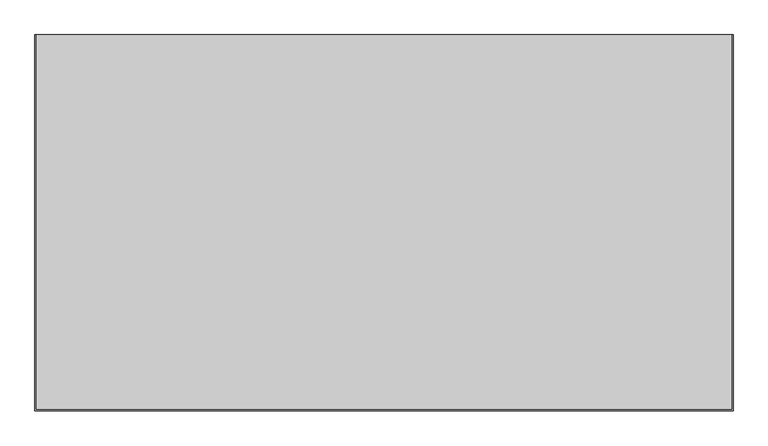
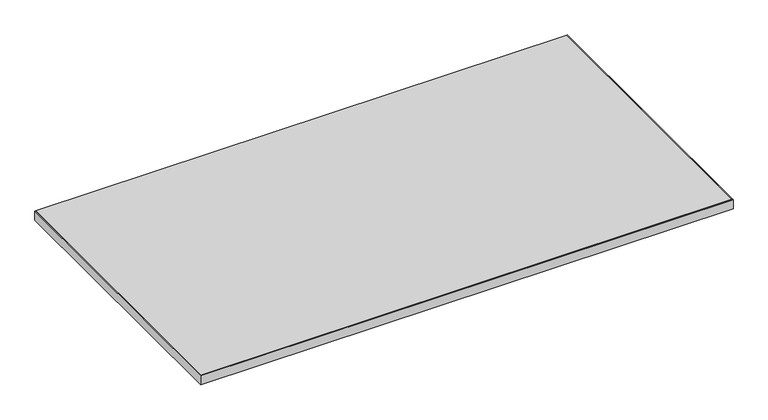
"""IFC4 building model written with IfcOpenShell, lengths in millimetres: furniture geometry."""

from ifc_helpers import new_model, si_unit, frame, origin, place, context, project, spatial, polyline, outline, extrude, source, transform, mapped, element, save


def furniture_86a1378f(model_context):
    return source(origin(), model_context, "Body", "SweptSolid", [
        extrude(outline(polyline([(2.0, -823.0), (1398.0, -823.0), (1398.0, -70.0461504), (1400.0, -70.0461504), (1400.0, -825.0), (0.0, -825.0), (0.0, -70.0461504), (2.0, -70.0461504), (2.0, -823.0)])), frame((0.0, 0.0, 695.0), z_axis=(0.0, 0.0, 1.0), x_axis=(1.0, 0.0, 0.0)), (0.0, 0.0, 1.0), 25.0),
        extrude(outline(polyline([(1398.0, -823.0), (2.0, -823.0), (2.0, -70.0461504), (1398.0, -70.0461504), (1398.0, -823.0)])), frame((0.0, 0.0, 695.0), z_axis=(0.0, 0.0, 1.0), x_axis=(1.0, 0.0, 0.0)), (0.0, 0.0, 1.0), 25.0),
    ])


if __name__ == "__main__":
    model = new_model("IFC4")
    model_context = context("Model", 3, world=origin())
    ifc_project = project(units=[si_unit("LENGTHUNIT", "METRE", prefix="MILLI")], contexts=[model_context])
    site = spatial("IfcSite", under=ifc_project)
    building = spatial("IfcBuilding", under=site)
    placement = place(None, origin())
    furniture_shape = furniture_86a1378f(model_context)
    element("IfcFurniture", 1, at=placement, inside=building, context=model_context, shape_type="MappedRepresentation", body=[
        mapped(furniture_shape, transform((0.0, 0.0, 0.0), x_axis=(1.0, 0.0, 0.0), y_axis=(0.0, 1.0, 0.0), z_axis=(0.0, 0.0, 1.0))),
    ])
    save(model, "model.ifc")
